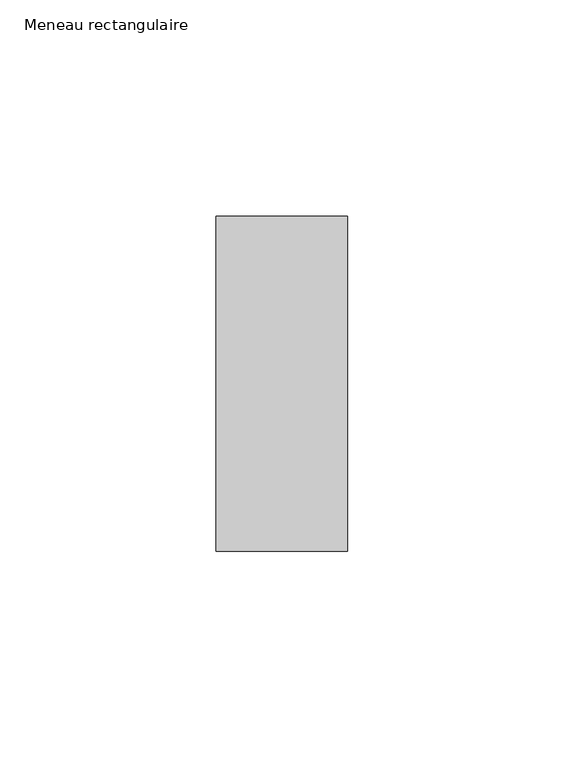
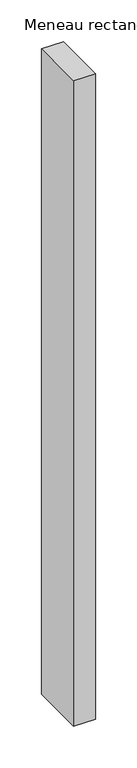
"""IFC4 building model written with IfcOpenShell, lengths in millimetres: member geometry, Meneau rectangulaire."""

import ifcopenshell
import ifcopenshell.guid

model = None  # the IFC model being written
_history = None  # IfcOwnerHistory: only IFC2X3 demands one
_inside = {}  # id of a spatial element -> (the spatial element, [elements in it])
_under = {}  # id of a project, library or spatial element -> (it, [spatial elements below it])
_declared = {}  # id of a project -> (the project, [libraries it declares])
_typed = {}  # id of a type object -> (the type object, [elements of that type])
_made_of = {}  # id of a material, layer set ... -> (it, [elements and type objects made of it])


def new_model(schema):
    """Start an empty IFC model of exactly this schema.

    Asked for "IFC4X3", IfcOpenShell would pick the latest addendum, in which some entities
    have other attributes; the version numbers below select the first issue.
    IFC2X3 requires an IfcOwnerHistory on every rooted entity: one is made here for all.
    """
    global model, _history
    if schema == "IFC4X3":
        model = ifcopenshell.file(schema_version=(4, 3, 0, 0))
    else:
        model = ifcopenshell.file(schema=schema)
    _inside.clear()
    _under.clear()
    _declared.clear()
    _typed.clear()
    _made_of.clear()
    _history = None
    if model.schema == "IFC2X3":
        org = make("IfcOrganization", Name="unknown")
        user = make(
            "IfcPersonAndOrganization",
            ThePerson=make("IfcPerson", FamilyName="unknown"),
            TheOrganization=org,
        )
        app = make(
            "IfcApplication",
            ApplicationDeveloper=org,
            Version="unknown",
            ApplicationFullName="unknown",
            ApplicationIdentifier="unknown",
        )
        _history = make(
            "IfcOwnerHistory",
            OwningUser=user,
            OwningApplication=app,
            ChangeAction="ADDED",
            CreationDate=0,
        )
    return model


def make(cls, **values):
    """One entity of the class cls with the attributes given. An attribute that is None is left unset."""
    return model.create_entity(
        cls, **{name: value for name, value in values.items() if value is not None}
    )


def rooted(cls, **values):
    """An entity with a GlobalId (a new one), such as an element, a storey or a relation."""
    return make(cls, GlobalId=ifcopenshell.guid.new(), OwnerHistory=_history, **values)


def si_unit(unit_type, name, prefix=None):
    """IfcSIUnit, for example si_unit("LENGTHUNIT", "METRE", prefix="MILLI")."""
    return make("IfcSIUnit", UnitType=unit_type, Prefix=prefix, Name=name)


def assignment(units):
    """IfcUnitAssignment: the units of a project."""
    return None if units is None else make("IfcUnitAssignment", Units=units)


def point(xyz):
    """IfcCartesianPoint."""
    return None if xyz is None else make("IfcCartesianPoint", Coordinates=xyz)


def direction(xyz):
    """IfcDirection."""
    return None if xyz is None else make("IfcDirection", DirectionRatios=xyz)


def frame(location, z_axis=None, x_axis=None):
    """IfcAxis2Placement3D, a coordinate frame: its origin and axes. An axis left out is left unset."""
    return make(
        "IfcAxis2Placement3D",
        Location=point(location),
        Axis=direction(z_axis),
        RefDirection=direction(x_axis),
    )


def origin():
    """The frame at (0, 0, 0) with its axes left unset."""
    return frame((0.0, 0.0, 0.0))


def place(relative_to, where):
    """IfcLocalPlacement: puts the frame where relative to a parent placement (None: the world)."""
    return make(
        "IfcLocalPlacement", PlacementRelTo=relative_to, RelativePlacement=where
    )


def context(
    kind, dimensions, precision=None, world=None, true_north=None, identifier=None
):
    """IfcGeometricRepresentationContext, for example the 3D "Model" context."""
    return make(
        "IfcGeometricRepresentationContext",
        ContextIdentifier=identifier,
        ContextType=kind,
        CoordinateSpaceDimension=dimensions,
        Precision=precision,
        WorldCoordinateSystem=world,
        TrueNorth=true_north,
    )


def project(units=None, contexts=None):
    """IfcProject with its units and contexts."""
    return rooted(
        "IfcProject",
        Name="project",
        RepresentationContexts=contexts,
        UnitsInContext=assignment(units),
    )


def spatial(cls, under=None, at=None, **own):
    """A site, building, storey or space (cls), placed at a placement, below another one or the project."""
    s = rooted(cls, ObjectPlacement=at, **own)
    if under is not None:
        _under.setdefault(under.id(), (under, []))[1].append(s)
    return s


def polyline(points):
    """IfcPolyline through the points."""
    return make("IfcPolyline", Points=[point(p) for p in points])


def outline(outer, holes=None, kind="AREA"):
    """IfcArbitraryClosedProfileDef: a profile drawn as a closed curve; with holes, ...WithVoids."""
    if holes is None:
        return make("IfcArbitraryClosedProfileDef", ProfileType=kind, OuterCurve=outer)
    return make(
        "IfcArbitraryProfileDefWithVoids",
        ProfileType=kind,
        OuterCurve=outer,
        InnerCurves=holes,
    )


def extrude(swept, where, along, depth):
    """IfcExtrudedAreaSolid: the profile swept, set in the frame where, extruded along a direction by depth."""
    return make(
        "IfcExtrudedAreaSolid",
        SweptArea=swept,
        Position=where,
        ExtrudedDirection=direction(along),
        Depth=depth,
    )


def shape(context_of_items, identifier, shape_type, items):
    """IfcShapeRepresentation: the items that make up one representation, for example the "Body"."""
    return make(
        "IfcShapeRepresentation",
        ContextOfItems=context_of_items,
        RepresentationIdentifier=identifier,
        RepresentationType=shape_type,
        Items=items,
    )


def source(mapping_origin, context_of_items, identifier, shape_type, items):
    """IfcRepresentationMap: a shape defined once, which mapped items show again and again."""
    return make(
        "IfcRepresentationMap",
        MappingOrigin=mapping_origin,
        MappedRepresentation=shape(context_of_items, identifier, shape_type, items),
    )


def transform(
    local_origin,
    x_axis=None,
    y_axis=None,
    z_axis=None,
    scale=None,
    scale2=None,
    scale3=None,
    uniform=True,
):
    """IfcCartesianTransformationOperator3D, or its non-uniform kind. x_axis, y_axis, z_axis: its Axis1, 2, 3."""
    if uniform:
        return make(
            "IfcCartesianTransformationOperator3D",
            Axis1=direction(x_axis),
            Axis2=direction(y_axis),
            LocalOrigin=point(local_origin),
            Scale=scale,
            Axis3=direction(z_axis),
        )
    return make(
        "IfcCartesianTransformationOperator3DnonUniform",
        Axis1=direction(x_axis),
        Axis2=direction(y_axis),
        LocalOrigin=point(local_origin),
        Scale=scale,
        Axis3=direction(z_axis),
        Scale2=scale2,
        Scale3=scale3,
    )


def mapped(mapping_source, mapping_target):
    """IfcMappedItem: shows the shape of a source again, moved by a transform."""
    return make(
        "IfcMappedItem", MappingSource=mapping_source, MappingTarget=mapping_target
    )


def made_of(thing, what):
    """Note that an element or type object is made of a material, layer set ...; save() writes the relation."""
    if what is not None:
        _made_of.setdefault(what.id(), (what, []))[1].append(thing)
    return thing


def element(
    cls,
    number,
    at=None,
    inside=None,
    cuts=None,
    type_object=None,
    material=None,
    context=None,
    identifier="Body",
    shape_type=None,
    held_by="IfcProductDefinitionShape",
    body=None,
    shapes=None,
    **own,
):
    """One element of the class cls, such as IfcWall. Its Tag is "e" and its number.

    at: its placement. inside: the storey or other place that contains it. cuts: it is an
    opening in that element (IfcRelVoidsElement). A single representation is given by context,
    identifier, shape_type and body (its items); several are given by shapes. held_by: the class
    of the entity that holds the representations. save() writes the other relations.
    """
    e = rooted(cls, Tag="e%d" % number, ObjectPlacement=at, **own)
    if body is not None:
        shapes = [shape(context, identifier, shape_type, body)]
    if shapes is not None:
        e.Representation = make(held_by, Representations=shapes)
    if inside is not None:
        _inside.setdefault(inside.id(), (inside, []))[1].append(e)
    if cuts is not None:
        rooted(
            "IfcRelVoidsElement", RelatingBuildingElement=cuts, RelatedOpeningElement=e
        )
    if type_object is not None:
        _typed.setdefault(type_object.id(), (type_object, []))[1].append(e)
    return made_of(e, material)


def aggregate(whole, parts):
    """IfcRelAggregates: a whole, such as a stair, and the parts it consists of."""
    return rooted("IfcRelAggregates", RelatingObject=whole, RelatedObjects=parts)


def save(model, path):
    """Write the relations noted so far, then the file.

    IfcRelAggregates (storeys below a building ...), IfcRelContainedInSpatialStructure (elements
    in a storey), IfcRelDefinesByType, IfcRelAssociatesMaterial and IfcRelDeclares: one each for
    every whole, place, type object, material and project.
    """
    for whole, parts in _under.values():
        aggregate(whole, parts)
    for where, things in _inside.values():
        rooted(
            "IfcRelContainedInSpatialStructure",
            RelatedElements=things,
            RelatingStructure=where,
        )
    for kind, things in _typed.values():
        rooted("IfcRelDefinesByType", RelatedObjects=things, RelatingType=kind)
    for what, things in _made_of.values():
        rooted("IfcRelAssociatesMaterial", RelatedObjects=things, RelatingMaterial=what)
    for by, libraries in _declared.values():
        rooted("IfcRelDeclares", RelatingContext=by, RelatedDefinitions=libraries)
    model.write(path)


def meneau_rectangulaire_797e6d44(model_context):
    return source(origin(), model_context, "Body", "SweptSolid", [
        extrude(outline(polyline([(-15.25, 38.75), (15.25, 38.75), (15.25, -38.75), (-15.25, -38.75), (-15.25, 38.75)])), frame((0.0, 0.0, -948.0), z_axis=(0.0, 0.0, 1.0), x_axis=(1.0, 0.0, 0.0)), (0.0, 0.0, 1.0), 948.0),
    ])


if __name__ == "__main__":
    model = new_model("IFC4")
    model_context = context("Model", 3, world=origin())
    ifc_project = project(units=[si_unit("LENGTHUNIT", "METRE", prefix="MILLI")], contexts=[model_context])
    site = spatial("IfcSite", under=ifc_project)
    building = spatial("IfcBuilding", under=site)
    placement = place(None, origin())
    meneau_rectangulaire_shape = meneau_rectangulaire_797e6d44(model_context)
    element("IfcMember", 1, ObjectType="Meneau rectangulaire", at=placement, inside=building, context=model_context, shape_type="MappedRepresentation", body=[
        mapped(meneau_rectangulaire_shape, transform((0.0, 0.0, 0.0), x_axis=(1.0, 0.0, 0.0), y_axis=(0.0, 1.0, 0.0), z_axis=(0.0, 0.0, 1.0))),
    ])
    save(model, "model.ifc")
